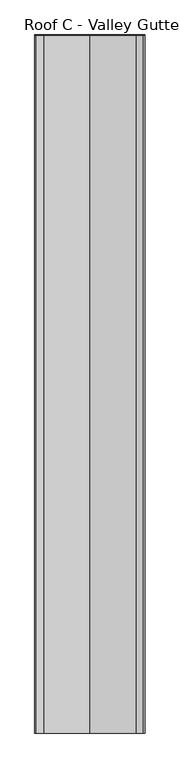
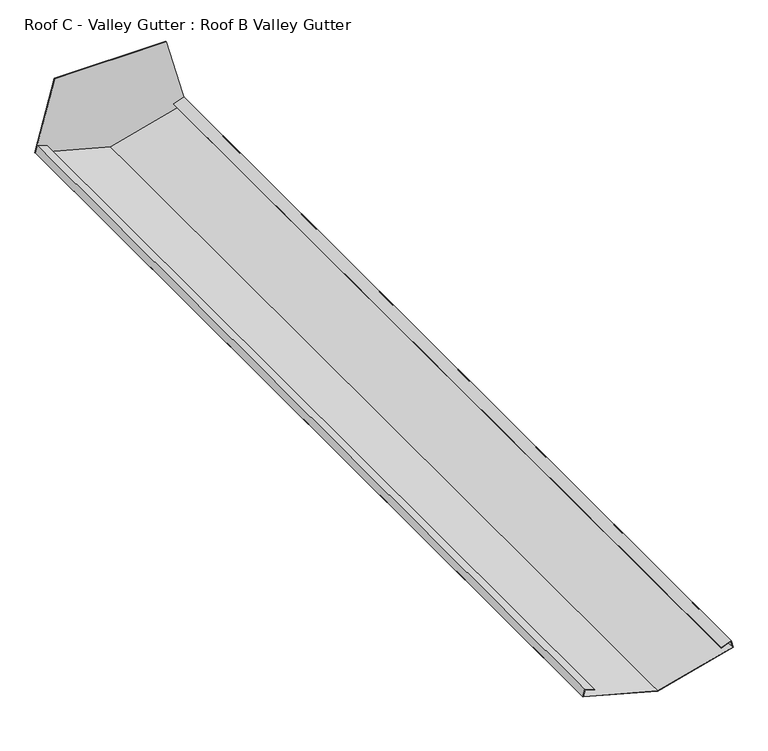
"""IFC4 building model written with IfcOpenShell, lengths in millimetres: proxy geometry, Roof C - Valley Gutter : Roof B Valley Gutter."""

import ifcopenshell
import ifcopenshell.guid

model = None  # the IFC model being written
_history = None  # IfcOwnerHistory: only IFC2X3 demands one
_inside = {}  # id of a spatial element -> (the spatial element, [elements in it])
_under = {}  # id of a project, library or spatial element -> (it, [spatial elements below it])
_declared = {}  # id of a project -> (the project, [libraries it declares])
_typed = {}  # id of a type object -> (the type object, [elements of that type])
_made_of = {}  # id of a material, layer set ... -> (it, [elements and type objects made of it])


def new_model(schema):
    """Start an empty IFC model of exactly this schema.

    Asked for "IFC4X3", IfcOpenShell would pick the latest addendum, in which some entities
    have other attributes; the version numbers below select the first issue.
    IFC2X3 requires an IfcOwnerHistory on every rooted entity: one is made here for all.
    """
    global model, _history
    if schema == "IFC4X3":
        model = ifcopenshell.file(schema_version=(4, 3, 0, 0))
    else:
        model = ifcopenshell.file(schema=schema)
    _inside.clear()
    _under.clear()
    _declared.clear()
    _typed.clear()
    _made_of.clear()
    _history = None
    if model.schema == "IFC2X3":
        org = make("IfcOrganization", Name="unknown")
        user = make(
            "IfcPersonAndOrganization",
            ThePerson=make("IfcPerson", FamilyName="unknown"),
            TheOrganization=org,
        )
        app = make(
            "IfcApplication",
            ApplicationDeveloper=org,
            Version="unknown",
            ApplicationFullName="unknown",
            ApplicationIdentifier="unknown",
        )
        _history = make(
            "IfcOwnerHistory",
            OwningUser=user,
            OwningApplication=app,
            ChangeAction="ADDED",
            CreationDate=0,
        )
    return model


def make(cls, **values):
    """One entity of the class cls with the attributes given. An attribute that is None is left unset."""
    return model.create_entity(
        cls, **{name: value for name, value in values.items() if value is not None}
    )


def rooted(cls, **values):
    """An entity with a GlobalId (a new one), such as an element, a storey or a relation."""
    return make(cls, GlobalId=ifcopenshell.guid.new(), OwnerHistory=_history, **values)


def si_unit(unit_type, name, prefix=None):
    """IfcSIUnit, for example si_unit("LENGTHUNIT", "METRE", prefix="MILLI")."""
    return make("IfcSIUnit", UnitType=unit_type, Prefix=prefix, Name=name)


def assignment(units):
    """IfcUnitAssignment: the units of a project."""
    return None if units is None else make("IfcUnitAssignment", Units=units)


def point(xyz):
    """IfcCartesianPoint."""
    return None if xyz is None else make("IfcCartesianPoint", Coordinates=xyz)


def direction(xyz):
    """IfcDirection."""
    return None if xyz is None else make("IfcDirection", DirectionRatios=xyz)


def frame(location, z_axis=None, x_axis=None):
    """IfcAxis2Placement3D, a coordinate frame: its origin and axes. An axis left out is left unset."""
    return make(
        "IfcAxis2Placement3D",
        Location=point(location),
        Axis=direction(z_axis),
        RefDirection=direction(x_axis),
    )


def origin():
    """The frame at (0, 0, 0) with its axes left unset."""
    return frame((0.0, 0.0, 0.0))


def place(relative_to, where):
    """IfcLocalPlacement: puts the frame where relative to a parent placement (None: the world)."""
    return make(
        "IfcLocalPlacement", PlacementRelTo=relative_to, RelativePlacement=where
    )


def context(
    kind, dimensions, precision=None, world=None, true_north=None, identifier=None
):
    """IfcGeometricRepresentationContext, for example the 3D "Model" context."""
    return make(
        "IfcGeometricRepresentationContext",
        ContextIdentifier=identifier,
        ContextType=kind,
        CoordinateSpaceDimension=dimensions,
        Precision=precision,
        WorldCoordinateSystem=world,
        TrueNorth=true_north,
    )


def project(units=None, contexts=None):
    """IfcProject with its units and contexts."""
    return rooted(
        "IfcProject",
        Name="project",
        RepresentationContexts=contexts,
        UnitsInContext=assignment(units),
    )


def spatial(cls, under=None, at=None, **own):
    """A site, building, storey or space (cls), placed at a placement, below another one or the project."""
    s = rooted(cls, ObjectPlacement=at, **own)
    if under is not None:
        _under.setdefault(under.id(), (under, []))[1].append(s)
    return s


def polyline(points):
    """IfcPolyline through the points."""
    return make("IfcPolyline", Points=[point(p) for p in points])


def outline(outer, holes=None, kind="AREA"):
    """IfcArbitraryClosedProfileDef: a profile drawn as a closed curve; with holes, ...WithVoids."""
    if holes is None:
        return make("IfcArbitraryClosedProfileDef", ProfileType=kind, OuterCurve=outer)
    return make(
        "IfcArbitraryProfileDefWithVoids",
        ProfileType=kind,
        OuterCurve=outer,
        InnerCurves=holes,
    )


def extrude(swept, where, along, depth):
    """IfcExtrudedAreaSolid: the profile swept, set in the frame where, extruded along a direction by depth."""
    return make(
        "IfcExtrudedAreaSolid",
        SweptArea=swept,
        Position=where,
        ExtrudedDirection=direction(along),
        Depth=depth,
    )


def shape(context_of_items, identifier, shape_type, items):
    """IfcShapeRepresentation: the items that make up one representation, for example the "Body"."""
    return make(
        "IfcShapeRepresentation",
        ContextOfItems=context_of_items,
        RepresentationIdentifier=identifier,
        RepresentationType=shape_type,
        Items=items,
    )


def source(mapping_origin, context_of_items, identifier, shape_type, items):
    """IfcRepresentationMap: a shape defined once, which mapped items show again and again."""
    return make(
        "IfcRepresentationMap",
        MappingOrigin=mapping_origin,
        MappedRepresentation=shape(context_of_items, identifier, shape_type, items),
    )


def transform(
    local_origin,
    x_axis=None,
    y_axis=None,
    z_axis=None,
    scale=None,
    scale2=None,
    scale3=None,
    uniform=True,
):
    """IfcCartesianTransformationOperator3D, or its non-uniform kind. x_axis, y_axis, z_axis: its Axis1, 2, 3."""
    if uniform:
        return make(
            "IfcCartesianTransformationOperator3D",
            Axis1=direction(x_axis),
            Axis2=direction(y_axis),
            LocalOrigin=point(local_origin),
            Scale=scale,
            Axis3=direction(z_axis),
        )
    return make(
        "IfcCartesianTransformationOperator3DnonUniform",
        Axis1=direction(x_axis),
        Axis2=direction(y_axis),
        LocalOrigin=point(local_origin),
        Scale=scale,
        Axis3=direction(z_axis),
        Scale2=scale2,
        Scale3=scale3,
    )


def mapped(mapping_source, mapping_target):
    """IfcMappedItem: shows the shape of a source again, moved by a transform."""
    return make(
        "IfcMappedItem", MappingSource=mapping_source, MappingTarget=mapping_target
    )


def made_of(thing, what):
    """Note that an element or type object is made of a material, layer set ...; save() writes the relation."""
    if what is not None:
        _made_of.setdefault(what.id(), (what, []))[1].append(thing)
    return thing


def element(
    cls,
    number,
    at=None,
    inside=None,
    cuts=None,
    type_object=None,
    material=None,
    context=None,
    identifier="Body",
    shape_type=None,
    held_by="IfcProductDefinitionShape",
    body=None,
    shapes=None,
    **own,
):
    """One element of the class cls, such as IfcWall. Its Tag is "e" and its number.

    at: its placement. inside: the storey or other place that contains it. cuts: it is an
    opening in that element (IfcRelVoidsElement). A single representation is given by context,
    identifier, shape_type and body (its items); several are given by shapes. held_by: the class
    of the entity that holds the representations. save() writes the other relations.
    """
    e = rooted(cls, Tag="e%d" % number, ObjectPlacement=at, **own)
    if body is not None:
        shapes = [shape(context, identifier, shape_type, body)]
    if shapes is not None:
        e.Representation = make(held_by, Representations=shapes)
    if inside is not None:
        _inside.setdefault(inside.id(), (inside, []))[1].append(e)
    if cuts is not None:
        rooted(
            "IfcRelVoidsElement", RelatingBuildingElement=cuts, RelatedOpeningElement=e
        )
    if type_object is not None:
        _typed.setdefault(type_object.id(), (type_object, []))[1].append(e)
    return made_of(e, material)


def aggregate(whole, parts):
    """IfcRelAggregates: a whole, such as a stair, and the parts it consists of."""
    return rooted("IfcRelAggregates", RelatingObject=whole, RelatedObjects=parts)


def save(model, path):
    """Write the relations noted so far, then the file.

    IfcRelAggregates (storeys below a building ...), IfcRelContainedInSpatialStructure (elements
    in a storey), IfcRelDefinesByType, IfcRelAssociatesMaterial and IfcRelDeclares: one each for
    every whole, place, type object, material and project.
    """
    for whole, parts in _under.values():
        aggregate(whole, parts)
    for where, things in _inside.values():
        rooted(
            "IfcRelContainedInSpatialStructure",
            RelatedElements=things,
            RelatingStructure=where,
        )
    for kind, things in _typed.values():
        rooted("IfcRelDefinesByType", RelatedObjects=things, RelatingType=kind)
    for what, things in _made_of.values():
        rooted("IfcRelAssociatesMaterial", RelatedObjects=things, RelatingMaterial=what)
    for by, libraries in _declared.values():
        rooted("IfcRelDeclares", RelatingContext=by, RelatedDefinitions=libraries)
    model.write(path)


def roof_c_valley_gutter_roof_b_valley_gutter_f0eb281a(model_context):
    return source(origin(), model_context, "Body", "SweptSolid", [
        extrude(outline(polyline([(3179.8838373, 4715.0), (3236.1024544, 4924.8107355), (3436.5320634, 4871.1057837), (3436.5320634, 4558.8942163), (3236.1024544, 4505.1892645), (3179.8838373, 4715.0)])), frame((0.0, -85.5, 0.0), z_axis=(0.0, 1.0, 0.0), x_axis=(0.0, 0.0, 1.0)), (0.0, 0.0, 1.0), 2.0),
        extrude(outline(polyline([(3236.8095612, 4506.4140093), (3255.0739547, 4511.3079388), (3245.1865999, 4538.4732229), (3246.1262925, 4538.815243), (3256.3868968, 4510.6244644), (3236.1024544, 4505.1892645), (3179.8838373, 4715.0), (3236.1024544, 4924.8107355), (3256.3868968, 4919.3755356), (3246.1262925, 4891.184757), (3245.1865999, 4891.5267771), (3255.0739547, 4918.6920612), (3236.8095612, 4923.5859907), (3180.9191134, 4715.0), (3236.8095612, 4506.4140093)])), frame((0.0, -2735.0, 0.0), z_axis=(0.0, 1.0, 0.0), x_axis=(0.0, 0.0, 1.0)), (0.0, 0.0, 1.0), 2649.5),
    ])


if __name__ == "__main__":
    model = new_model("IFC4")
    model_context = context("Model", 3, world=origin())
    ifc_project = project(units=[si_unit("LENGTHUNIT", "METRE", prefix="MILLI")], contexts=[model_context])
    site = spatial("IfcSite", under=ifc_project)
    building = spatial("IfcBuilding", under=site)
    placement = place(None, origin())
    roof_c_valley_gutter_roof_b_valley_gutter_shape = roof_c_valley_gutter_roof_b_valley_gutter_f0eb281a(model_context)
    element("IfcBuildingElementProxy", 1, Name="Roof C - Valley Gutter : Roof B Valley Gutter", ObjectType="Roof C - Valley Gutter : Roof B Valley Gutter", at=placement, inside=building, context=model_context, shape_type="MappedRepresentation", body=[
        mapped(roof_c_valley_gutter_roof_b_valley_gutter_shape, transform((0.0, 0.0, 0.0), x_axis=(1.0, 0.0, 0.0), y_axis=(0.0, 1.0, 0.0), z_axis=(0.0, 0.0, 1.0))),
    ])
    save(model, "model.ifc")
